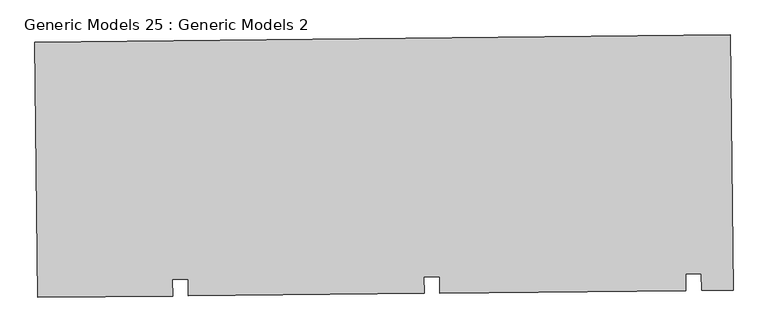
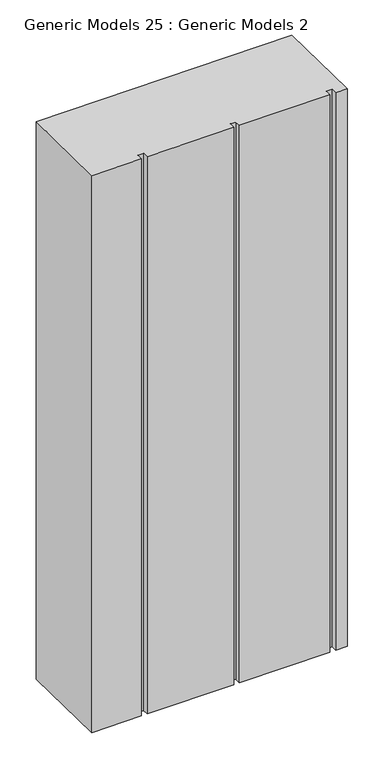
"""IFC4 building model written with IfcOpenShell, lengths in millimetres: proxy geometry, Generic Models 25 : Generic Models 2."""

from ifc_helpers import new_model, si_unit, frame, origin, place, context, project, spatial, polyline, outline, extrude, source, transform, mapped, element, save


def generic_models_25_generic_models_2_f49edad6(model_context):
    return source(origin(), model_context, "Body", "SweptSolid", [
        extrude(outline(polyline([(3429.7502709, -15780.4480251), (3434.9594993, -16267.4623814), (3374.9629313, -16268.1041198), (3374.6244945, -16236.4634292), (3344.5927796, -16236.784656), (3344.9312164, -16268.4253466), (2874.9915313, -16273.4519401), (2874.6530945, -16241.8112494), (2844.6213796, -16242.1324762), (2844.9598164, -16273.7731669), (2395.0189873, -16278.5858475), (2394.6805505, -16246.9451568), (2364.6488356, -16247.2663836), (2364.9872724, -16278.9070743), (2107.4468164, -16281.661792), (2102.237588, -15794.6474357), (3429.7502709, -15780.4480251)])), frame((0.0, 0.0, 9000.0), z_axis=(0.0, 0.0, 1.0), x_axis=(1.0, 0.0, 0.0)), (0.0, 0.0, 1.0), 3044.7067261),
    ])


if __name__ == "__main__":
    model = new_model("IFC4")
    model_context = context("Model", 3, world=origin())
    ifc_project = project(units=[si_unit("LENGTHUNIT", "METRE", prefix="MILLI")], contexts=[model_context])
    site = spatial("IfcSite", under=ifc_project)
    building = spatial("IfcBuilding", under=site)
    placement = place(None, origin())
    generic_models_25_generic_models_2_shape = generic_models_25_generic_models_2_f49edad6(model_context)
    element("IfcBuildingElementProxy", 1, Name="Generic Models 25 : Generic Models 2", ObjectType="Generic Models 25 : Generic Models 2", at=placement, inside=building, context=model_context, shape_type="MappedRepresentation", body=[
        mapped(generic_models_25_generic_models_2_shape, transform((0.0, 0.0, 0.0), x_axis=(1.0, 0.0, 0.0), y_axis=(0.0, 1.0, 0.0), z_axis=(0.0, 0.0, 1.0))),
    ])
    save(model, "model.ifc")
